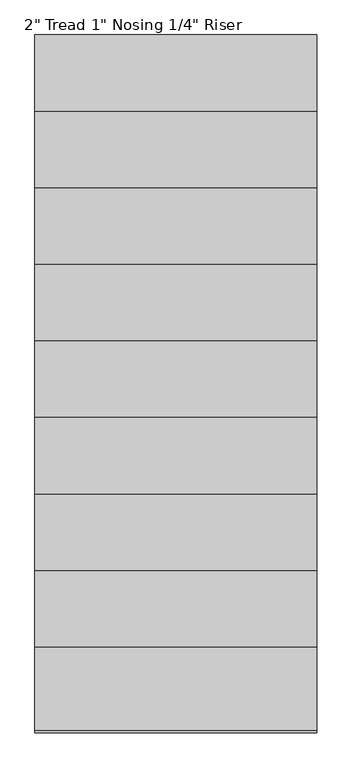
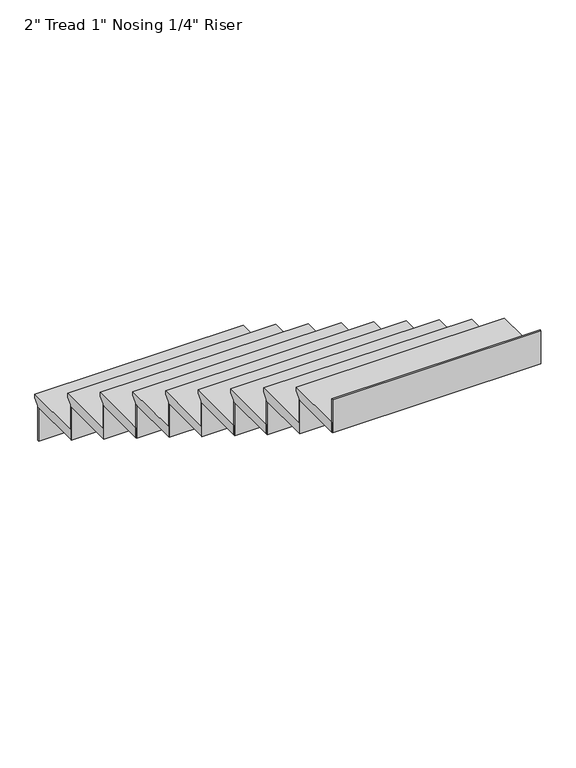
"""IFC4 building model written with IfcOpenShell, lengths in millimetres: stair flight geometry."""

from ifc_helpers import new_model, si_unit, frame, origin, place, context, project, spatial, polyline, outline, extrude, source, transform, mapped, element, save


def stair_flight_9b570acf(model_context):
    return source(origin(), model_context, "Body", "SweptSolid", [
        extrude(outline(polyline([(4835.2460566, 38208.8571429), (5140.0460566, 38208.8571429), (5140.0460566, 38189.8071429), (5114.6460566, 38164.4071429), (5114.6460566, 38158.0571429), (4835.2460566, 38158.0571429), (4835.2460566, 38208.8571429)])), frame((6181.7069555, 0.0, 0.0), z_axis=(1.0, 0.0, 0.0), x_axis=(0.0, 1.0, 0.0)), (0.0, 0.0, 1.0), 1028.3259746),
        extrude(outline(polyline([(6181.7069555, 5108.2960566), (6181.7069555, 5114.6460566), (7210.0329301, 5114.6460566), (7210.0329301, 5108.2960566), (6181.7069555, 5108.2960566)])), frame((0.0, 0.0, 37983.8857143), z_axis=(0.0, 0.0, 1.0), x_axis=(1.0, 0.0, 0.0)), (0.0, 0.0, 1.0), 174.1714286),
        extrude(outline(polyline([(4555.8460566, 38383.0285714), (4860.6460566, 38383.0285714), (4860.6460566, 38363.9785714), (4835.2460566, 38338.5785714), (4835.2460566, 38332.2285714), (4555.8460566, 38332.2285714), (4555.8460566, 38383.0285714)])), frame((6181.7069555, 0.0, 0.0), z_axis=(1.0, 0.0, 0.0), x_axis=(0.0, 1.0, 0.0)), (0.0, 0.0, 1.0), 1028.3259746),
        extrude(outline(polyline([(6181.7069555, 4828.8960566), (6181.7069555, 4835.2460566), (7210.0329301, 4835.2460566), (7210.0329301, 4828.8960566), (6181.7069555, 4828.8960566)])), frame((0.0, 0.0, 38158.0571429), z_axis=(0.0, 0.0, 1.0), x_axis=(1.0, 0.0, 0.0)), (0.0, 0.0, 1.0), 174.1714286),
        extrude(outline(polyline([(4276.4460566, 38557.2), (4581.2460566, 38557.2), (4581.2460566, 38538.15), (4555.8460566, 38512.75), (4555.8460566, 38506.4), (4276.4460566, 38506.4), (4276.4460566, 38557.2)])), frame((6181.7069555, 0.0, 0.0), z_axis=(1.0, 0.0, 0.0), x_axis=(0.0, 1.0, 0.0)), (0.0, 0.0, 1.0), 1028.3259746),
        extrude(outline(polyline([(6181.7069555, 4549.4960566), (6181.7069555, 4555.8460566), (7210.0329301, 4555.8460566), (7210.0329301, 4549.4960566), (6181.7069555, 4549.4960566)])), frame((0.0, 0.0, 38332.2285714), z_axis=(0.0, 0.0, 1.0), x_axis=(1.0, 0.0, 0.0)), (0.0, 0.0, 1.0), 174.1714286),
        extrude(outline(polyline([(3997.0460566, 38731.3714286), (4301.8460566, 38731.3714286), (4301.8460566, 38712.3214286), (4276.4460566, 38686.9214286), (4276.4460566, 38680.5714286), (3997.0460566, 38680.5714286), (3997.0460566, 38731.3714286)])), frame((6181.7069555, 0.0, 0.0), z_axis=(1.0, 0.0, 0.0), x_axis=(0.0, 1.0, 0.0)), (0.0, 0.0, 1.0), 1028.3259746),
        extrude(outline(polyline([(6181.7069555, 4270.0960566), (6181.7069555, 4276.4460566), (7210.0329301, 4276.4460566), (7210.0329301, 4270.0960566), (6181.7069555, 4270.0960566)])), frame((0.0, 0.0, 38506.4), z_axis=(0.0, 0.0, 1.0), x_axis=(1.0, 0.0, 0.0)), (0.0, 0.0, 1.0), 174.1714286),
        extrude(outline(polyline([(3717.6460566, 38905.5428571), (4022.4460566, 38905.5428571), (4022.4460566, 38886.4928571), (3997.0460566, 38861.0928571), (3997.0460566, 38854.7428571), (3717.6460566, 38854.7428571), (3717.6460566, 38905.5428571)])), frame((6181.7069555, 0.0, 0.0), z_axis=(1.0, 0.0, 0.0), x_axis=(0.0, 1.0, 0.0)), (0.0, 0.0, 1.0), 1028.3259746),
        extrude(outline(polyline([(6181.7069555, 3990.6960566), (6181.7069555, 3997.0460566), (7210.0329301, 3997.0460566), (7210.0329301, 3990.6960566), (6181.7069555, 3990.6960566)])), frame((0.0, 0.0, 38680.5714286), z_axis=(0.0, 0.0, 1.0), x_axis=(1.0, 0.0, 0.0)), (0.0, 0.0, 1.0), 174.1714286),
        extrude(outline(polyline([(3438.2460566, 39079.7142857), (3743.0460566, 39079.7142857), (3743.0460566, 39060.6642857), (3717.6460566, 39035.2642857), (3717.6460566, 39028.9142857), (3438.2460566, 39028.9142857), (3438.2460566, 39079.7142857)])), frame((6181.7069555, 0.0, 0.0), z_axis=(1.0, 0.0, 0.0), x_axis=(0.0, 1.0, 0.0)), (0.0, 0.0, 1.0), 1028.3259746),
        extrude(outline(polyline([(6181.7069555, 3711.2960566), (6181.7069555, 3717.6460566), (7210.0329301, 3717.6460566), (7210.0329301, 3711.2960566), (6181.7069555, 3711.2960566)])), frame((0.0, 0.0, 38854.7428571), z_axis=(0.0, 0.0, 1.0), x_axis=(1.0, 0.0, 0.0)), (0.0, 0.0, 1.0), 174.1714286),
        extrude(outline(polyline([(3158.8460566, 39253.8857143), (3463.6460566, 39253.8857143), (3463.6460566, 39234.8357143), (3438.2460566, 39209.4357143), (3438.2460566, 39203.0857143), (3158.8460566, 39203.0857143), (3158.8460566, 39253.8857143)])), frame((6181.7069555, 0.0, 0.0), z_axis=(1.0, 0.0, 0.0), x_axis=(0.0, 1.0, 0.0)), (0.0, 0.0, 1.0), 1028.3259746),
        extrude(outline(polyline([(6181.7069555, 3431.8960566), (6181.7069555, 3438.2460566), (7210.0329301, 3438.2460566), (7210.0329301, 3431.8960566), (6181.7069555, 3431.8960566)])), frame((0.0, 0.0, 39028.9142857), z_axis=(0.0, 0.0, 1.0), x_axis=(1.0, 0.0, 0.0)), (0.0, 0.0, 1.0), 174.1714286),
        extrude(outline(polyline([(2879.4460566, 39428.0571429), (3184.2460566, 39428.0571429), (3184.2460566, 39409.0071429), (3158.8460566, 39383.6071429), (3158.8460566, 39377.2571429), (2879.4460566, 39377.2571429), (2879.4460566, 39428.0571429)])), frame((6181.7069555, 0.0, 0.0), z_axis=(1.0, 0.0, 0.0), x_axis=(0.0, 1.0, 0.0)), (0.0, 0.0, 1.0), 1028.3259746),
        extrude(outline(polyline([(6181.7069555, 3152.4960566), (6181.7069555, 3158.8460566), (7210.0329301, 3158.8460566), (7210.0329301, 3152.4960566), (6181.7069555, 3152.4960566)])), frame((0.0, 0.0, 39203.0857143), z_axis=(0.0, 0.0, 1.0), x_axis=(1.0, 0.0, 0.0)), (0.0, 0.0, 1.0), 174.1714286),
        extrude(outline(polyline([(2600.0460566, 39602.2285714), (2904.8460566, 39602.2285714), (2904.8460566, 39583.1785714), (2879.4460566, 39557.7785714), (2879.4460566, 39551.4285714), (2600.0460566, 39551.4285714), (2600.0460566, 39602.2285714)])), frame((6181.7069555, 0.0, 0.0), z_axis=(1.0, 0.0, 0.0), x_axis=(0.0, 1.0, 0.0)), (0.0, 0.0, 1.0), 1028.3259746),
        extrude(outline(polyline([(6181.7069555, 2873.0960566), (6181.7069555, 2879.4460566), (7210.0329301, 2879.4460566), (7210.0329301, 2873.0960566), (6181.7069555, 2873.0960566)])), frame((0.0, 0.0, 39377.2571429), z_axis=(0.0, 0.0, 1.0), x_axis=(1.0, 0.0, 0.0)), (0.0, 0.0, 1.0), 174.1714286),
        extrude(outline(polyline([(6181.7069555, 2593.6960566), (6181.7069555, 2600.0460566), (7210.0329301, 2600.0460566), (7210.0329301, 2593.6960566), (6181.7069555, 2593.6960566)])), frame((0.0, 0.0, 39551.4285714), z_axis=(0.0, 0.0, 1.0), x_axis=(1.0, 0.0, 0.0)), (0.0, 0.0, 1.0), 174.1714286),
    ])


if __name__ == "__main__":
    model = new_model("IFC4")
    model_context = context("Model", 3, world=origin())
    ifc_project = project(units=[si_unit("LENGTHUNIT", "METRE", prefix="MILLI")], contexts=[model_context])
    site = spatial("IfcSite", under=ifc_project)
    building = spatial("IfcBuilding", under=site)
    placement = place(None, origin())
    stair_flight_shape = stair_flight_9b570acf(model_context)
    element("IfcStairFlight", 1, ObjectType="2\" Tread 1\" Nosing 1/4\" Riser", at=placement, inside=building, context=model_context, shape_type="MappedRepresentation", body=[
        mapped(stair_flight_shape, transform((0.0, 0.0, 0.0), x_axis=(1.0, 0.0, 0.0), y_axis=(0.0, 1.0, 0.0), z_axis=(0.0, 0.0, 1.0))),
    ])
    save(model, "model.ifc")
